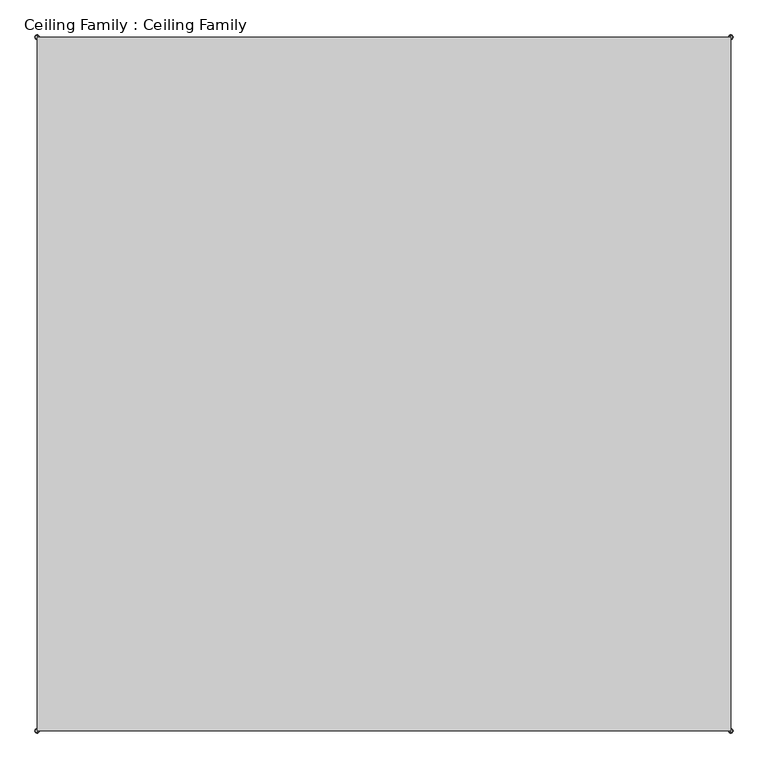
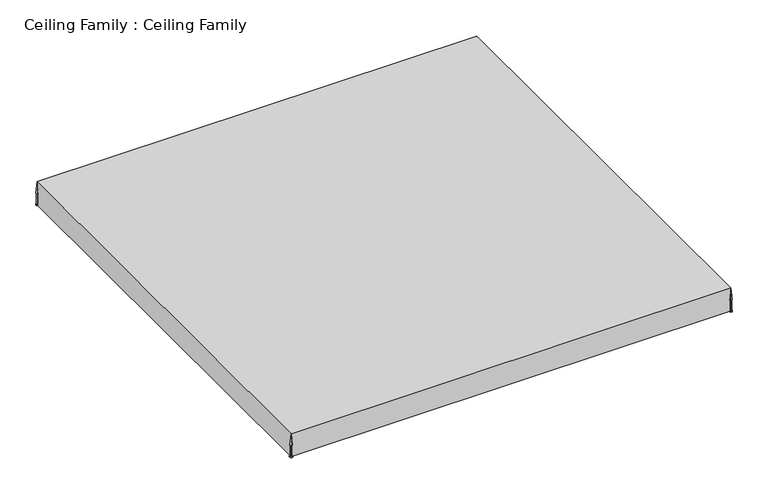
"""IFC4 building model written with IfcOpenShell, lengths in millimetres: proxy geometry, Ceiling Family : Ceiling Family."""

from ifc_helpers import new_model, si_unit, point, frame, frame_2d, origin, place, context, project, spatial, polyline, circle_curve, trimmed, segment, composite_curve, outline, extrude, source, transform, mapped, element, save
from ifc_brep_helpers import plane_surface, cylinder_surface, revolved_surface, advanced_brep


def ceiling_family_ceiling_family_d9c56081(model_context):
    return source(origin(), model_context, "Body", "SolidModel", [
        extrude(outline(composite_curve([segment(trimmed(circle_curve(frame_2d((-15350.0, -15350.0)), 100.0), [point((-15350.0, -15450.0))], [point((-15350.0, -15250.0))], False, "CARTESIAN"), True, "CONTINUOUS"), segment(trimmed(circle_curve(frame_2d((-15350.0, -15350.0)), 100.0), [point((-15350.0, -15250.0))], [point((-15350.0, -15450.0))], False, "CARTESIAN"), True, "CONTINUOUS")], self_intersect=False)), frame((0.0, 0.0, 2300.0), z_axis=(0.0, 0.0, 1.0), x_axis=(1.0, 0.0, 0.0)), (0.0, 0.0, 1.0), 50.0),
        advanced_brep(
        [(-15350.0, -15300.0, 2350.0), (-15350.0, -15400.0, 2350.0), (-15350.0, -15350.0, 2350.0), (-15350.0, -15300.0, 3175.0), (-15350.0, -15400.0, 3175.0), (-15350.0, -15275.0, 3175.0), (-15350.0, -15425.0, 3175.0), (-15350.0, -15350.0, 4000.0)],
        [
            (0, 1, circle_curve(frame((-15350.0, -15350.0, 2350.0), z_axis=(0.0, 0.0, -1.0), x_axis=(0.0, -1.0, 0.0)), 50.0)),
            (1, 2),
            (2, 0),
            (1, 0, circle_curve(frame((-15350.0, -15350.0, 2350.0), z_axis=(0.0, 0.0, -1.0), x_axis=(0.0, -1.0, 0.0)), 50.0)),
            (3, 4, circle_curve(frame((-15350.0, -15350.0, 3175.0), z_axis=(0.0, 0.0, -1.0), x_axis=(0.0, -1.0, 0.0)), 50.0)),
            (4, 1),
            (0, 3),
            (4, 3, circle_curve(frame((-15350.0, -15350.0, 3175.0), z_axis=(0.0, 0.0, -1.0), x_axis=(0.0, -1.0, 0.0)), 50.0)),
            (5, 6, circle_curve(frame((-15350.0, -15350.0, 3175.0), z_axis=(0.0, 0.0, -1.0), x_axis=(0.0, -1.0, 0.0)), 75.0)),
            (6, 4),
            (3, 5),
            (6, 5, circle_curve(frame((-15350.0, -15350.0, 3175.0), z_axis=(0.0, 0.0, -1.0), x_axis=(0.0, -1.0, 0.0)), 75.0)),
            (7, 6),
            (5, 7),
        ],
        [
            plane_surface(frame((-15350.0, -15350.0, 2350.0), z_axis=(0.0, 0.0, -1.0), x_axis=(0.0, -1.0, 0.0))),
            cylinder_surface(frame((-15350.0, -15350.0, 2170.0), z_axis=(0.0, 0.0, 1.0), x_axis=(0.0, -1.0, 0.0)), 50.0),
            plane_surface(frame((-15350.0, -15350.0, 3175.0), z_axis=(0.0, 0.0, -1.0), x_axis=(0.0, -1.0, 0.0))),
            revolved_surface(polyline([(-15350.0, -15425.0, 3175.0), (-15350.0, -15350.0, 4000.0)]), (-15350.0, -15350.0, 2170.0), (0.0, 0.0, 1.0)),
        ],
        [
            (0, [[1, 2, 3]]),
            (0, [[4, -3, -2]]),
            (1, [[5, 6, -1, 7]]),
            (1, [[8, -7, -4, -6]]),
            (2, [[9, 10, -5, 11]]),
            (2, [[12, -11, -8, -10]]),
            (3, [[13, -9, 14]]),
            (3, [[-14, -12, -13]]),
        ],
    ),
        extrude(outline(composite_curve([segment(trimmed(circle_curve(frame_2d((-15350.0, 15350.0)), 100.0), [point((-15350.0, 15250.0))], [point((-15350.0, 15450.0))], False, "CARTESIAN"), True, "CONTINUOUS"), segment(trimmed(circle_curve(frame_2d((-15350.0, 15350.0)), 100.0), [point((-15350.0, 15450.0))], [point((-15350.0, 15250.0))], False, "CARTESIAN"), True, "CONTINUOUS")], self_intersect=False)), frame((0.0, 0.0, 2300.0), z_axis=(0.0, 0.0, 1.0), x_axis=(1.0, 0.0, 0.0)), (0.0, 0.0, 1.0), 50.0),
        advanced_brep(
        [(-15350.0, 15400.0, 2350.0), (-15350.0, 15300.0, 2350.0), (-15350.0, 15350.0, 2350.0), (-15350.0, 15400.0, 3175.0), (-15350.0, 15300.0, 3175.0), (-15350.0, 15425.0, 3175.0), (-15350.0, 15275.0, 3175.0), (-15350.0, 15350.0, 4000.0)],
        [
            (0, 1, circle_curve(frame((-15350.0, 15350.0, 2350.0), z_axis=(0.0, 0.0, -1.0), x_axis=(0.0, -1.0, 0.0)), 50.0)),
            (1, 2),
            (2, 0),
            (1, 0, circle_curve(frame((-15350.0, 15350.0, 2350.0), z_axis=(0.0, 0.0, -1.0), x_axis=(0.0, -1.0, 0.0)), 50.0)),
            (3, 4, circle_curve(frame((-15350.0, 15350.0, 3175.0), z_axis=(0.0, 0.0, -1.0), x_axis=(0.0, -1.0, 0.0)), 50.0)),
            (4, 1),
            (0, 3),
            (4, 3, circle_curve(frame((-15350.0, 15350.0, 3175.0), z_axis=(0.0, 0.0, -1.0), x_axis=(0.0, -1.0, 0.0)), 50.0)),
            (5, 6, circle_curve(frame((-15350.0, 15350.0, 3175.0), z_axis=(0.0, 0.0, -1.0), x_axis=(0.0, -1.0, 0.0)), 75.0)),
            (6, 4),
            (3, 5),
            (6, 5, circle_curve(frame((-15350.0, 15350.0, 3175.0), z_axis=(0.0, 0.0, -1.0), x_axis=(0.0, -1.0, 0.0)), 75.0)),
            (7, 6),
            (5, 7),
        ],
        [
            plane_surface(frame((-15350.0, 15350.0, 2350.0), z_axis=(0.0, 0.0, -1.0), x_axis=(0.0, -1.0, 0.0))),
            cylinder_surface(frame((-15350.0, 15350.0, 2170.0), z_axis=(0.0, 0.0, 1.0), x_axis=(0.0, -1.0, 0.0)), 50.0),
            plane_surface(frame((-15350.0, 15350.0, 3175.0), z_axis=(0.0, 0.0, -1.0), x_axis=(0.0, -1.0, 0.0))),
            revolved_surface(polyline([(-15350.0, 15275.0, 3175.0), (-15350.0, 15350.0, 4000.0)]), (-15350.0, 15350.0, 2170.0), (0.0, 0.0, 1.0)),
        ],
        [
            (0, [[1, 2, 3]]),
            (0, [[4, -3, -2]]),
            (1, [[5, 6, -1, 7]]),
            (1, [[8, -7, -4, -6]]),
            (2, [[9, 10, -5, 11]]),
            (2, [[12, -11, -8, -10]]),
            (3, [[13, -9, 14]]),
            (3, [[-14, -12, -13]]),
        ],
    ),
        extrude(outline(composite_curve([segment(trimmed(circle_curve(frame_2d((15350.0, 15350.0)), 100.0), [point((15350.0, 15250.0))], [point((15350.0, 15450.0))], False, "CARTESIAN"), True, "CONTINUOUS"), segment(trimmed(circle_curve(frame_2d((15350.0, 15350.0)), 100.0), [point((15350.0, 15450.0))], [point((15350.0, 15250.0))], False, "CARTESIAN"), True, "CONTINUOUS")], self_intersect=False)), frame((0.0, 0.0, 2300.0), z_axis=(0.0, 0.0, 1.0), x_axis=(1.0, 0.0, 0.0)), (0.0, 0.0, 1.0), 50.0),
        advanced_brep(
        [(15350.0, 15400.0, 2350.0), (15350.0, 15300.0, 2350.0), (15350.0, 15350.0, 2350.0), (15350.0, 15400.0, 3175.0), (15350.0, 15300.0, 3175.0), (15350.0, 15425.0, 3175.0), (15350.0, 15275.0, 3175.0), (15350.0, 15350.0, 4000.0)],
        [
            (0, 1, circle_curve(frame((15350.0, 15350.0, 2350.0), z_axis=(0.0, 0.0, -1.0), x_axis=(0.0, -1.0, 0.0)), 50.0)),
            (1, 2),
            (2, 0),
            (1, 0, circle_curve(frame((15350.0, 15350.0, 2350.0), z_axis=(0.0, 0.0, -1.0), x_axis=(0.0, -1.0, 0.0)), 50.0)),
            (3, 4, circle_curve(frame((15350.0, 15350.0, 3175.0), z_axis=(0.0, 0.0, -1.0), x_axis=(0.0, -1.0, 0.0)), 50.0)),
            (4, 1),
            (0, 3),
            (4, 3, circle_curve(frame((15350.0, 15350.0, 3175.0), z_axis=(0.0, 0.0, -1.0), x_axis=(0.0, -1.0, 0.0)), 50.0)),
            (5, 6, circle_curve(frame((15350.0, 15350.0, 3175.0), z_axis=(0.0, 0.0, -1.0), x_axis=(0.0, -1.0, 0.0)), 75.0)),
            (6, 4),
            (3, 5),
            (6, 5, circle_curve(frame((15350.0, 15350.0, 3175.0), z_axis=(0.0, 0.0, -1.0), x_axis=(0.0, -1.0, 0.0)), 75.0)),
            (7, 6),
            (5, 7),
        ],
        [
            plane_surface(frame((15350.0, 15350.0, 2350.0), z_axis=(0.0, 0.0, -1.0), x_axis=(0.0, -1.0, 0.0))),
            cylinder_surface(frame((15350.0, 15350.0, 2170.0), z_axis=(0.0, 0.0, 1.0), x_axis=(0.0, -1.0, 0.0)), 50.0),
            plane_surface(frame((15350.0, 15350.0, 3175.0), z_axis=(0.0, 0.0, -1.0), x_axis=(0.0, -1.0, 0.0))),
            revolved_surface(polyline([(15350.0, 15275.0, 3175.0), (15350.0, 15350.0, 4000.0)]), (15350.0, 15350.0, 2170.0), (0.0, 0.0, 1.0)),
        ],
        [
            (0, [[1, 2, 3]]),
            (0, [[4, -3, -2]]),
            (1, [[5, 6, -1, 7]]),
            (1, [[8, -7, -4, -6]]),
            (2, [[9, 10, -5, 11]]),
            (2, [[12, -11, -8, -10]]),
            (3, [[13, -9, 14]]),
            (3, [[-14, -12, -13]]),
        ],
    ),
        extrude(outline(composite_curve([segment(trimmed(circle_curve(frame_2d((15350.0, -15350.0)), 100.0), [point((15350.0, -15450.0))], [point((15350.0, -15250.0))], False, "CARTESIAN"), True, "CONTINUOUS"), segment(trimmed(circle_curve(frame_2d((15350.0, -15350.0)), 100.0), [point((15350.0, -15250.0))], [point((15350.0, -15450.0))], False, "CARTESIAN"), True, "CONTINUOUS")], self_intersect=False)), frame((0.0, 0.0, 2300.0), z_axis=(0.0, 0.0, 1.0), x_axis=(1.0, 0.0, 0.0)), (0.0, 0.0, 1.0), 50.0),
        advanced_brep(
        [(15350.0, -15300.0, 2350.0), (15350.0, -15400.0, 2350.0), (15350.0, -15350.0, 2350.0), (15350.0, -15300.0, 3175.0), (15350.0, -15400.0, 3175.0), (15350.0, -15275.0, 3175.0), (15350.0, -15425.0, 3175.0), (15350.0, -15350.0, 4000.0)],
        [
            (0, 1, circle_curve(frame((15350.0, -15350.0, 2350.0), z_axis=(0.0, 0.0, -1.0), x_axis=(0.0, -1.0, 0.0)), 50.0)),
            (1, 2),
            (2, 0),
            (1, 0, circle_curve(frame((15350.0, -15350.0, 2350.0), z_axis=(0.0, 0.0, -1.0), x_axis=(0.0, -1.0, 0.0)), 50.0)),
            (3, 4, circle_curve(frame((15350.0, -15350.0, 3175.0), z_axis=(0.0, 0.0, -1.0), x_axis=(0.0, -1.0, 0.0)), 50.0)),
            (4, 1),
            (0, 3),
            (4, 3, circle_curve(frame((15350.0, -15350.0, 3175.0), z_axis=(0.0, 0.0, -1.0), x_axis=(0.0, -1.0, 0.0)), 50.0)),
            (5, 6, circle_curve(frame((15350.0, -15350.0, 3175.0), z_axis=(0.0, 0.0, -1.0), x_axis=(0.0, -1.0, 0.0)), 75.0)),
            (6, 4),
            (3, 5),
            (6, 5, circle_curve(frame((15350.0, -15350.0, 3175.0), z_axis=(0.0, 0.0, -1.0), x_axis=(0.0, -1.0, 0.0)), 75.0)),
            (7, 6),
            (5, 7),
        ],
        [
            plane_surface(frame((15350.0, -15350.0, 2350.0), z_axis=(0.0, 0.0, -1.0), x_axis=(0.0, -1.0, 0.0))),
            cylinder_surface(frame((15350.0, -15350.0, 2170.0), z_axis=(0.0, 0.0, 1.0), x_axis=(0.0, -1.0, 0.0)), 50.0),
            plane_surface(frame((15350.0, -15350.0, 3175.0), z_axis=(0.0, 0.0, -1.0), x_axis=(0.0, -1.0, 0.0))),
            revolved_surface(polyline([(15350.0, -15425.0, 3175.0), (15350.0, -15350.0, 4000.0)]), (15350.0, -15350.0, 2170.0), (0.0, 0.0, 1.0)),
        ],
        [
            (0, [[1, 2, 3]]),
            (0, [[4, -3, -2]]),
            (1, [[5, 6, -1, 7]]),
            (1, [[8, -7, -4, -6]]),
            (2, [[9, 10, -5, 11]]),
            (2, [[12, -11, -8, -10]]),
            (3, [[13, -9, 14]]),
            (3, [[-14, -12, -13]]),
        ],
    ),
        advanced_brep(
        [(15350.0, 15350.0, 4000.0), (-15350.0, 15350.0, 4000.0), (-15350.0, -15350.0, 4000.0), (15350.0, -15350.0, 4000.0), (15350.0, 15250.0, 2300.0), (15350.0, -15250.0, 2300.0), (15250.0, -15350.0, 2300.0), (-15250.0, -15350.0, 2300.0), (-15350.0, -15250.0, 2300.0), (-15350.0, 15250.0, 2300.0), (-15250.0, 15350.0, 2300.0), (15250.0, 15350.0, 2300.0), (15350.0, -15350.0, 2350.0), (15350.0, -15250.0, 2350.0), (15350.0, 15250.0, 2350.0), (15350.0, 15350.0, 2350.0), (-15350.0, -15350.0, 2350.0), (-15250.0, -15350.0, 2350.0), (15250.0, -15350.0, 2350.0), (-15350.0, 15350.0, 2350.0), (-15350.0, 15250.0, 2350.0), (-15350.0, -15250.0, 2350.0), (15250.0, 15350.0, 2350.0), (-15250.0, 15350.0, 2350.0)],
        [
            (0, 1),
            (1, 2),
            (2, 3),
            (3, 0),
            (4, 5),
            (5, 6, circle_curve(frame((15350.0, -15350.0, 2300.0), z_axis=(0.0, 0.0, 1.0), x_axis=(1.0, 0.0, 0.0)), 100.0)),
            (6, 7),
            (7, 8, circle_curve(frame((-15350.0, -15350.0, 2300.0), z_axis=(0.0, 0.0, 1.0), x_axis=(1.0, 0.0, 0.0)), 100.0)),
            (8, 9),
            (9, 10, circle_curve(frame((-15350.0, 15350.0, 2300.0), z_axis=(0.0, 0.0, 1.0), x_axis=(1.0, 0.0, 0.0)), 100.0)),
            (10, 11),
            (11, 4, circle_curve(frame((15350.0, 15350.0, 2300.0), z_axis=(0.0, 0.0, 1.0), x_axis=(1.0, 0.0, 0.0)), 100.0)),
            (3, 12),
            (12, 13),
            (13, 5),
            (4, 14),
            (14, 15),
            (15, 0),
            (2, 16),
            (16, 17),
            (17, 7),
            (6, 18),
            (18, 12),
            (1, 19),
            (19, 20),
            (20, 9),
            (8, 21),
            (21, 16),
            (15, 22),
            (22, 11),
            (10, 23),
            (23, 19),
            (18, 13, circle_curve(frame((15350.0, -15350.0, 2350.0), z_axis=(0.0, 0.0, -1.0), x_axis=(1.0, 0.0, 0.0)), 100.0)),
            (14, 22, circle_curve(frame((15350.0, 15350.0, 2350.0), z_axis=(0.0, 0.0, -1.0), x_axis=(1.0, 0.0, 0.0)), 100.0)),
            (23, 20, circle_curve(frame((-15350.0, 15350.0, 2350.0), z_axis=(0.0, 0.0, -1.0), x_axis=(1.0, 0.0, 0.0)), 100.0)),
            (21, 17, circle_curve(frame((-15350.0, -15350.0, 2350.0), z_axis=(0.0, 0.0, -1.0), x_axis=(1.0, 0.0, 0.0)), 100.0)),
        ],
        [
            plane_surface(frame((15350.0, -15350.0, 4000.0), z_axis=(0.0, 0.0, 1.0), x_axis=(0.0, 1.0, 0.0))),
            plane_surface(frame((15350.0, -15350.0, 2300.0), z_axis=(0.0, 0.0, -1.0), x_axis=(0.0, -1.0, 0.0))),
            plane_surface(frame((15350.0, 15350.0, 2300.0), z_axis=(1.0, 0.0, 0.0), x_axis=(0.0, 0.0, 1.0))),
            plane_surface(frame((15350.0, -15350.0, 2300.0), z_axis=(0.0, -1.0, 0.0), x_axis=(0.0, 0.0, 1.0))),
            plane_surface(frame((-15350.0, -15350.0, 2300.0), z_axis=(-1.0, 0.0, 0.0), x_axis=(0.0, 0.0, 1.0))),
            plane_surface(frame((-15350.0, 15350.0, 2300.0), z_axis=(0.0, 1.0, 0.0), x_axis=(0.0, 0.0, 1.0))),
            plane_surface(frame((15450.0, -15350.0, 2350.0), z_axis=(0.0, 0.0, -1.0), x_axis=(0.0, 1.0, 0.0))),
            revolved_surface(polyline([(15450.0, -15350.0, 2300.0), (15450.0, -15350.0, 2350.0)]), (15350.0, -15350.0, 2350.0), (0.0, 0.0, -1.0)),
            revolved_surface(polyline([(15450.0, 15350.0, 2300.0), (15450.0, 15350.0, 2350.0)]), (15350.0, 15350.0, 2300.0), (0.0, 0.0, -1.0)),
            revolved_surface(polyline([(-15250.0, 15350.0, 2300.0), (-15250.0, 15350.0, 2350.0)]), (-15350.0, 15350.0, 2300.0), (0.0, 0.0, -1.0)),
            revolved_surface(polyline([(-15250.0, -15350.0, 2300.0), (-15250.0, -15350.0, 2350.0)]), (-15350.0, -15350.0, 2300.0), (0.0, 0.0, -1.0)),
        ],
        [
            (0, [[1, 2, 3, 4]]),
            (1, [[5, 6, 7, 8, 9, 10, 11, 12]]),
            (2, [[-4, 13, 14, 15, -5, 16, 17, 18]]),
            (3, [[-3, 19, 20, 21, -7, 22, 23, -13]]),
            (4, [[-2, 24, 25, 26, -9, 27, 28, -19]]),
            (5, [[-1, -18, 29, 30, -11, 31, 32, -24]]),
            (6, [[33, -14, -23]]),
            (6, [[34, -29, -17]]),
            (6, [[35, -25, -32]]),
            (6, [[36, -20, -28]]),
            (7, [[-33, -22, -6, -15]]),
            (8, [[-34, -16, -12, -30]]),
            (9, [[-35, -31, -10, -26]]),
            (10, [[-36, -27, -8, -21]]),
        ],
    ),
    ])


if __name__ == "__main__":
    model = new_model("IFC4")
    model_context = context("Model", 3, world=origin())
    ifc_project = project(units=[si_unit("LENGTHUNIT", "METRE", prefix="MILLI")], contexts=[model_context])
    site = spatial("IfcSite", under=ifc_project)
    building = spatial("IfcBuilding", under=site)
    placement = place(None, origin())
    ceiling_family_ceiling_family_shape = ceiling_family_ceiling_family_d9c56081(model_context)
    element("IfcBuildingElementProxy", 1, Name="Ceiling Family : Ceiling Family", ObjectType="Ceiling Family : Ceiling Family", at=placement, inside=building, context=model_context, shape_type="MappedRepresentation", body=[
        mapped(ceiling_family_ceiling_family_shape, transform((0.0, 0.0, 0.0), x_axis=(1.0, 0.0, 0.0), y_axis=(0.0, 1.0, 0.0), z_axis=(0.0, 0.0, 1.0))),
    ])
    save(model, "model.ifc")
